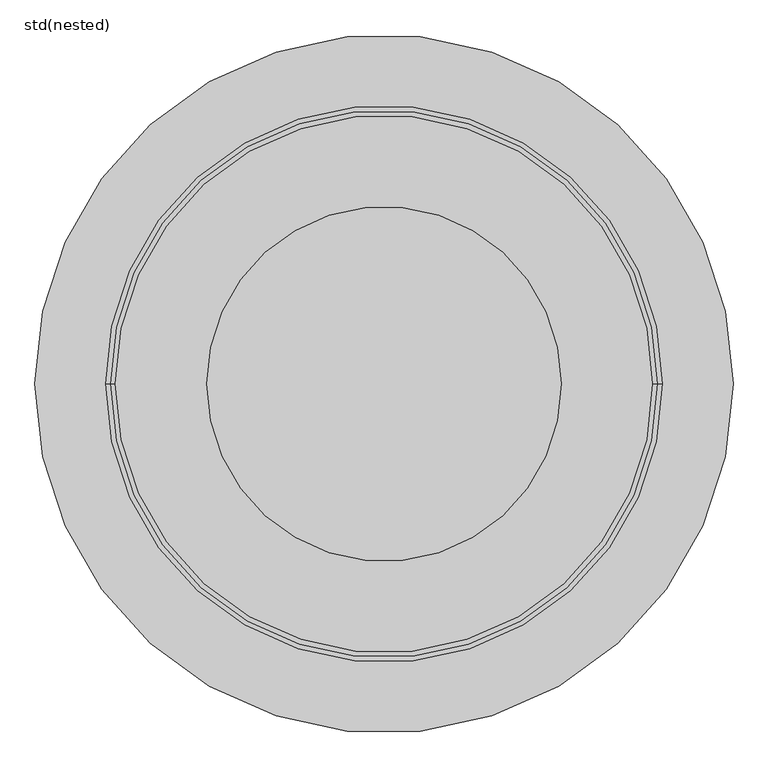
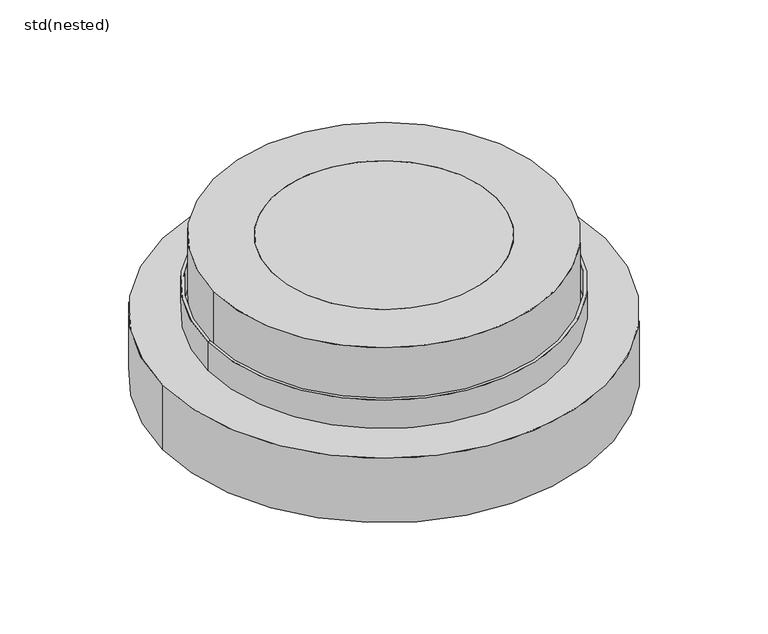
"""IFC4 building model written with IfcOpenShell, lengths in millimetres: unitary equipment geometry, std(nested)."""

from ifc_helpers import new_model, si_unit, point, frame, origin, origin_2d, place, context, project, spatial, polyline, circle_curve, trimmed, segment, composite_curve, outline, extrude, source, transform, mapped, element, save
from ifc_brep_helpers import plane_surface, cylinder_surface, revolved_surface, advanced_brep


def std_nested_ce91348a(model_context):
    return source(origin(), model_context, "Body", "SolidModel", [
        advanced_brep(
        [(-409.8623627, 0.0, -233.6635452), (409.8623627, 0.0, -233.6635452), (417.8623627, 0.0, -233.6635452), (-417.8623627, 0.0, -233.6635452), (-409.8623627, 0.0, -508.0), (409.8623627, 0.0, -508.0), (-417.8623627, 0.0, -508.0), (417.8623627, 0.0, -508.0)],
        [
            (0, 1, circle_curve(frame((0.0, 0.0, -233.6635452), z_axis=(0.0, 0.0, -1.0), x_axis=(1.0, 0.0, 0.0)), 409.8623627)),
            (1, 2),
            (2, 3, circle_curve(frame((0.0, 0.0, -233.6635452), z_axis=(0.0, 0.0, 1.0), x_axis=(1.0, 0.0, 0.0)), 417.8623627)),
            (3, 0),
            (1, 0, circle_curve(frame((0.0, 0.0, -233.6635452), z_axis=(0.0, 0.0, -1.0), x_axis=(1.0, 0.0, 0.0)), 409.8623627)),
            (3, 2, circle_curve(frame((0.0, 0.0, -233.6635452), z_axis=(0.0, 0.0, 1.0), x_axis=(1.0, 0.0, 0.0)), 417.8623627)),
            (4, 5, circle_curve(frame((0.0, 0.0, -508.0), z_axis=(0.0, 0.0, -1.0), x_axis=(1.0, 0.0, 0.0)), 409.8623627)),
            (5, 1),
            (0, 4),
            (5, 4, circle_curve(frame((0.0, 0.0, -508.0), z_axis=(0.0, 0.0, -1.0), x_axis=(1.0, 0.0, 0.0)), 409.8623627)),
            (6, 7, circle_curve(frame((0.0, 0.0, -508.0), z_axis=(0.0, 0.0, -1.0), x_axis=(1.0, 0.0, 0.0)), 417.8623627)),
            (7, 5),
            (4, 6),
            (7, 6, circle_curve(frame((0.0, 0.0, -508.0), z_axis=(0.0, 0.0, -1.0), x_axis=(1.0, 0.0, 0.0)), 417.8623627)),
            (2, 7),
            (6, 3),
        ],
        [
            plane_surface(frame((0.0, 0.0, -233.6635452), z_axis=(0.0, 0.0, 1.0), x_axis=(1.0, 0.0, 0.0))),
            revolved_surface(polyline([(409.8623627, 0.0, -233.6635452), (409.8623627, 0.0, -508.0)]), (0.0, 0.0, 100.0), (0.0, 0.0, 1.0)),
            plane_surface(frame((0.0, 0.0, -508.0), z_axis=(0.0, 0.0, -1.0), x_axis=(1.0, 0.0, 0.0))),
            cylinder_surface(frame((0.0, 0.0, 100.0), z_axis=(0.0, 0.0, 1.0), x_axis=(1.0, 0.0, 0.0)), 417.8623627),
        ],
        [
            (0, [[1, 2, 3, 4]]),
            (0, [[5, -4, 6, -2]]),
            (1, [[7, 8, -1, 9]]),
            (1, [[10, -9, -5, -8]]),
            (2, [[11, 12, -7, 13]]),
            (2, [[14, -13, -10, -12]]),
            (3, [[-3, 15, -11, 16]]),
            (3, [[-6, -16, -14, -15]]),
        ],
    ),
        advanced_brep(
        [(-510.0, 0.0, -150.0), (510.0, 0.0, -150.0), (518.0, 0.0, -150.0), (-518.0, 0.0, -150.0), (-510.0, 0.0, -230.0), (510.0, 0.0, -230.0), (-410.0, 0.0, -230.0), (410.0, 0.0, -230.0), (-410.0, 0.0, -508.0), (410.0, 0.0, -508.0), (-418.0, 0.0, -508.0), (418.0, 0.0, -508.0), (-418.0, 0.0, -238.0), (418.0, 0.0, -238.0), (-518.0, 0.0, -238.0), (518.0, 0.0, -238.0)],
        [
            (0, 1, circle_curve(frame((0.0, 0.0, -150.0), z_axis=(0.0, 0.0, -1.0), x_axis=(1.0, 0.0, 0.0)), 510.0)),
            (1, 2),
            (2, 3, circle_curve(frame((0.0, 0.0, -150.0), z_axis=(0.0, 0.0, 1.0), x_axis=(1.0, 0.0, 0.0)), 518.0)),
            (3, 0),
            (1, 0, circle_curve(frame((0.0, 0.0, -150.0), z_axis=(0.0, 0.0, -1.0), x_axis=(1.0, 0.0, 0.0)), 510.0)),
            (3, 2, circle_curve(frame((0.0, 0.0, -150.0), z_axis=(0.0, 0.0, 1.0), x_axis=(1.0, 0.0, 0.0)), 518.0)),
            (4, 5, circle_curve(frame((0.0, 0.0, -230.0), z_axis=(0.0, 0.0, -1.0), x_axis=(1.0, 0.0, 0.0)), 510.0)),
            (5, 1),
            (0, 4),
            (5, 4, circle_curve(frame((0.0, 0.0, -230.0), z_axis=(0.0, 0.0, -1.0), x_axis=(1.0, 0.0, 0.0)), 510.0)),
            (6, 7, circle_curve(frame((0.0, 0.0, -230.0), z_axis=(0.0, 0.0, -1.0), x_axis=(1.0, 0.0, 0.0)), 410.0)),
            (7, 5),
            (4, 6),
            (7, 6, circle_curve(frame((0.0, 0.0, -230.0), z_axis=(0.0, 0.0, -1.0), x_axis=(1.0, 0.0, 0.0)), 410.0)),
            (8, 9, circle_curve(frame((0.0, 0.0, -508.0), z_axis=(0.0, 0.0, -1.0), x_axis=(1.0, 0.0, 0.0)), 410.0)),
            (9, 7),
            (6, 8),
            (9, 8, circle_curve(frame((0.0, 0.0, -508.0), z_axis=(0.0, 0.0, -1.0), x_axis=(1.0, 0.0, 0.0)), 410.0)),
            (10, 11, circle_curve(frame((0.0, 0.0, -508.0), z_axis=(0.0, 0.0, -1.0), x_axis=(1.0, 0.0, 0.0)), 418.0)),
            (11, 9),
            (8, 10),
            (11, 10, circle_curve(frame((0.0, 0.0, -508.0), z_axis=(0.0, 0.0, -1.0), x_axis=(1.0, 0.0, 0.0)), 418.0)),
            (12, 13, circle_curve(frame((0.0, 0.0, -238.0), z_axis=(0.0, 0.0, -1.0), x_axis=(1.0, 0.0, 0.0)), 418.0)),
            (13, 11),
            (10, 12),
            (13, 12, circle_curve(frame((0.0, 0.0, -238.0), z_axis=(0.0, 0.0, -1.0), x_axis=(1.0, 0.0, 0.0)), 418.0)),
            (14, 15, circle_curve(frame((0.0, 0.0, -238.0), z_axis=(0.0, 0.0, -1.0), x_axis=(1.0, 0.0, 0.0)), 518.0)),
            (15, 13),
            (12, 14),
            (15, 14, circle_curve(frame((0.0, 0.0, -238.0), z_axis=(0.0, 0.0, -1.0), x_axis=(1.0, 0.0, 0.0)), 518.0)),
            (2, 15),
            (14, 3),
        ],
        [
            plane_surface(frame((0.0, 0.0, -150.0), z_axis=(0.0, 0.0, 1.0), x_axis=(1.0, 0.0, 0.0))),
            revolved_surface(polyline([(510.0, 0.0, -150.0), (510.0, 0.0, -230.0)]), (0.0, 0.0, 695.0), (0.0, 0.0, 1.0)),
            plane_surface(frame((0.0, 0.0, -230.0), z_axis=(0.0, 0.0, 1.0), x_axis=(1.0, 0.0, 0.0))),
            revolved_surface(polyline([(410.0, 0.0, -230.0), (410.0, 0.0, -508.0)]), (0.0, 0.0, 695.0), (0.0, 0.0, 1.0)),
            plane_surface(frame((0.0, 0.0, -508.0), z_axis=(0.0, 0.0, -1.0), x_axis=(1.0, 0.0, 0.0))),
            cylinder_surface(frame((0.0, 0.0, 695.0), z_axis=(0.0, 0.0, 1.0), x_axis=(1.0, 0.0, 0.0)), 418.0),
            plane_surface(frame((0.0, 0.0, -238.0), z_axis=(0.0, 0.0, -1.0), x_axis=(1.0, 0.0, 0.0))),
            cylinder_surface(frame((0.0, 0.0, 695.0), z_axis=(0.0, 0.0, 1.0), x_axis=(1.0, 0.0, 0.0)), 518.0),
        ],
        [
            (0, [[1, 2, 3, 4]]),
            (0, [[5, -4, 6, -2]]),
            (1, [[7, 8, -1, 9]]),
            (1, [[10, -9, -5, -8]]),
            (2, [[11, 12, -7, 13]]),
            (2, [[14, -13, -10, -12]]),
            (3, [[15, 16, -11, 17]]),
            (3, [[18, -17, -14, -16]]),
            (4, [[19, 20, -15, 21]]),
            (4, [[22, -21, -18, -20]]),
            (5, [[23, 24, -19, 25]]),
            (5, [[26, -25, -22, -24]]),
            (6, [[27, 28, -23, 29]]),
            (6, [[30, -29, -26, -28]]),
            (7, [[-3, 31, -27, 32]]),
            (7, [[-6, -32, -30, -31]]),
        ],
    ),
        extrude(outline(composite_curve([segment(trimmed(circle_curve(origin_2d(), 500.0), [point((-500.0, 0.0))], [point((500.0, 0.0))], False, "CARTESIAN"), True, "CONTINUOUS"), segment(trimmed(circle_curve(origin_2d(), 500.0), [point((500.0, 0.0))], [point((-500.0, 0.0))], False, "CARTESIAN"), True, "CONTINUOUS")], self_intersect=False), holes=[composite_curve([segment(trimmed(circle_curve(origin_2d(), 330.0), [point((-330.0, 0.0))], [point((330.0, 0.0))], True, "CARTESIAN"), True, "CONTINUOUS"), segment(trimmed(circle_curve(origin_2d(), 330.0), [point((330.0, 0.0))], [point((-330.0, 0.0))], True, "CARTESIAN"), True, "CONTINUOUS")], self_intersect=False)]), frame((0.0, 0.0, -200.1138553), z_axis=(0.0, 0.0, 1.0), x_axis=(1.0, 0.0, 0.0)), (0.0, 0.0, 1.0), 200.1138553),
        extrude(outline(composite_curve([segment(trimmed(circle_curve(origin_2d(), 650.0), [point((-650.0, 0.0))], [point((650.0, 0.0))], False, "CARTESIAN"), True, "CONTINUOUS"), segment(trimmed(circle_curve(origin_2d(), 650.0), [point((650.0, 0.0))], [point((-650.0, 0.0))], False, "CARTESIAN"), True, "CONTINUOUS")], self_intersect=False), holes=[composite_curve([segment(trimmed(circle_curve(origin_2d(), 418.0), [point((-418.0, 0.0))], [point((418.0, 0.0))], True, "CARTESIAN"), True, "CONTINUOUS"), segment(trimmed(circle_curve(origin_2d(), 418.0), [point((418.0, 0.0))], [point((-418.0, 0.0))], True, "CARTESIAN"), True, "CONTINUOUS")], self_intersect=False)]), frame((0.0, 0.0, -438.085058), z_axis=(0.0, 0.0, 1.0), x_axis=(1.0, 0.0, 0.0)), (0.0, 0.0, 1.0), 200.085058),
        extrude(outline(composite_curve([segment(trimmed(circle_curve(origin_2d(), 330.0), [point((-330.0, 0.0))], [point((330.0, 0.0))], False, "CARTESIAN"), True, "CONTINUOUS"), segment(trimmed(circle_curve(origin_2d(), 330.0), [point((330.0, 0.0))], [point((-330.0, 0.0))], False, "CARTESIAN"), True, "CONTINUOUS")], self_intersect=False)), frame((0.0, 0.0, -185.8087682), z_axis=(0.0, 0.0, 1.0), x_axis=(1.0, 0.0, 0.0)), (0.0, 0.0, 1.0), 185.8087682),
    ])


if __name__ == "__main__":
    model = new_model("IFC4")
    model_context = context("Model", 3, world=origin())
    ifc_project = project(units=[si_unit("LENGTHUNIT", "METRE", prefix="MILLI")], contexts=[model_context])
    site = spatial("IfcSite", under=ifc_project)
    building = spatial("IfcBuilding", under=site)
    placement = place(None, origin())
    std_nested_shape = std_nested_ce91348a(model_context)
    element("IfcUnitaryEquipment", 1, ObjectType="std(nested)", at=placement, inside=building, context=model_context, shape_type="MappedRepresentation", body=[
        mapped(std_nested_shape, transform((0.0, 0.0, 0.0), x_axis=(1.0, 0.0, 0.0), y_axis=(0.0, 1.0, 0.0), z_axis=(0.0, 0.0, 1.0))),
    ])
    save(model, "model.ifc")
